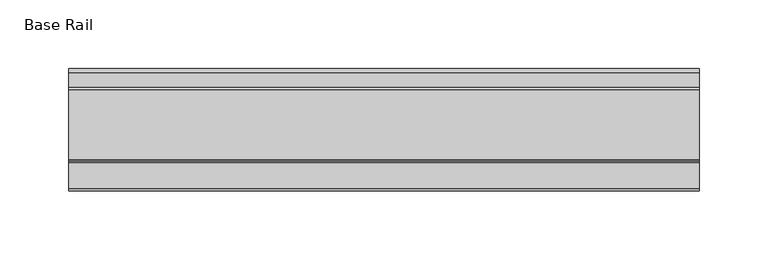
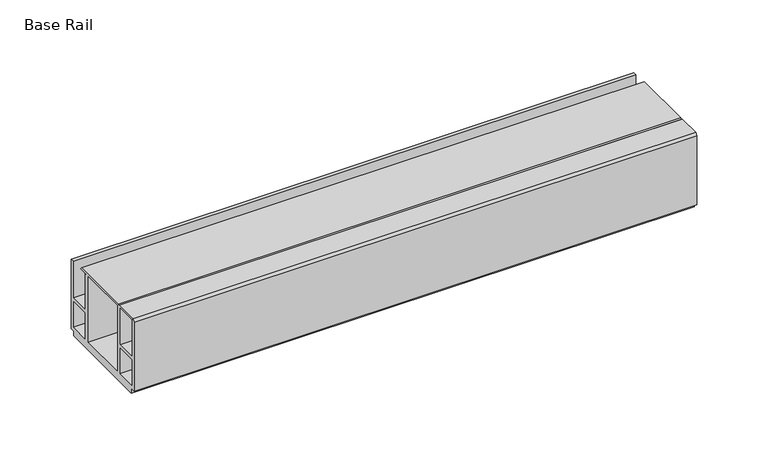
"""IFC4 building model written with IfcOpenShell, lengths in millimetres: furniture geometry, Base Rail."""

from ifc_helpers import new_model, si_unit, frame, origin, place, context, project, spatial, polyline, outline, extrude, source, transform, mapped, element, save


def base_rail_cfde8d1e(model_context):
    return source(origin(), model_context, "Body", "SweptSolid", [
        extrude(outline(polyline([(59.951805, 4.0000001), (55.9518063, 4.0000001), (55.9518063, 0.0), (-24.9481962, 0.0), (-24.9481962, 4.0000001), (-28.948195, 4.0000001), (-28.948195, 63.5), (-27.0760904, 65.0875), (-8.0302549, 65.0875), (-7.1219223, 64.1791674), (-6.2135897, 65.0875), (44.9726737, 65.0875), (46.1177636, 63.9424102), (-26.1481963, 63.9424102), (-26.1481963, 32.0000002), (-9.1450707, 32.0000002), (-9.1450707, 29.4000001), (-26.1481963, 29.4000001), (-26.1481963, 6.6000002), (-8.7481957, 6.6000002), (-8.7481957, 63.5), (-5.4481956, 63.5), (-5.4481956, 6.6000002), (36.4518057, 6.6000002), (36.4518057, 63.5), (39.7518058, 63.5), (39.7518058, 6.6000002), (57.1518064, 6.6000002), (57.1518064, 29.4000001), (40.1486808, 29.4000001), (40.1486808, 32.0000002), (57.1518064, 32.0000002), (57.1518064, 63.5), (59.951805, 63.5), (59.951805, 4.0000001)])), frame((-198.6228469, 0.0, 0.0), z_axis=(1.0, 0.0, 0.0), x_axis=(0.0, 1.0, 0.0)), (0.0, 0.0, 1.0), 457.2),
    ])


if __name__ == "__main__":
    model = new_model("IFC4")
    model_context = context("Model", 3, world=origin())
    ifc_project = project(units=[si_unit("LENGTHUNIT", "METRE", prefix="MILLI")], contexts=[model_context])
    site = spatial("IfcSite", under=ifc_project)
    building = spatial("IfcBuilding", under=site)
    placement = place(None, origin())
    base_rail_shape = base_rail_cfde8d1e(model_context)
    element("IfcFurniture", 1, ObjectType="Base Rail", at=placement, inside=building, context=model_context, shape_type="MappedRepresentation", body=[
        mapped(base_rail_shape, transform((0.0, 0.0, 0.0), x_axis=(1.0, 0.0, 0.0), y_axis=(0.0, 1.0, 0.0), z_axis=(0.0, 0.0, 1.0))),
    ])
    save(model, "model.ifc")
